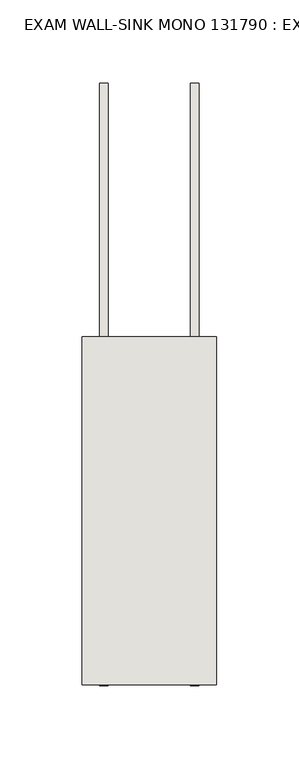
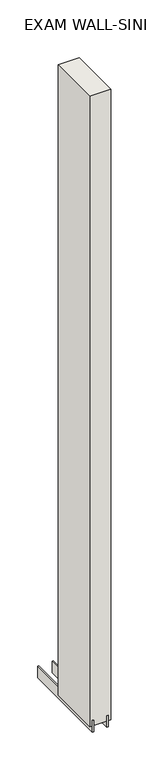
"""IFC4 building model written with IfcOpenShell, lengths in millimetres: wall geometry, EXAM WALL-SINK MONO 131790 : EXAM WALL-SINK MONO 131790."""

from ifc_helpers import new_model, si_unit, frame, origin, place, context, project, spatial, polyline, outline, extrude, source, transform, mapped, element, save


def exam_wall_sink_mono_131790_exam_wall_sink_mono_131790_737c3388(model_context):
    return source(origin(), model_context, "Body", "SweptSolid", [
        extrude(outline(polyline([(66349.282211, -45367.0057352), (66349.282211, -45369.5457352), (66346.742211, -45369.5457352), (66346.742211, -45367.0057352), (66349.282211, -45367.0057352)])), frame((0.0, 0.0, 4419.6), z_axis=(0.0, 0.0, 1.0), x_axis=(1.0, 0.0, 0.0)), (0.0, 0.0, 1.0), 2.54),
        extrude(outline(polyline([(66322.9284664, -45213.0169906), (66322.9284664, -45578.1419906), (66317.849711, -45578.1419906), (66317.849711, -45213.0169906), (66322.9284664, -45213.0169906)])), frame((0.0, 0.0, 4418.6602), z_axis=(0.0, 0.0, 1.0), x_axis=(1.0, 0.0, 0.0)), (0.0, 0.0, 1.0), 47.625),
        extrude(outline(polyline([(66322.9284664, -45213.0169906), (66322.9284664, -45578.1419906), (66317.849711, -45578.1419906), (66317.849711, -45213.0169906), (66322.9284664, -45213.0169906)])), frame((0.0, 0.0, 4418.6602), z_axis=(0.0, 0.0, 1.0), x_axis=(1.0, 0.0, 0.0)), (0.0, 0.0, 1.0), 47.625),
        extrude(outline(polyline([(66373.0959556, -45578.1419906), (66373.0959556, -45213.0169906), (66378.174711, -45213.0169906), (66378.174711, -45578.1419906), (66373.0959556, -45578.1419906)])), frame((0.0, 0.0, 4418.6602), z_axis=(0.0, 0.0, 1.0), x_axis=(1.0, 0.0, 0.0)), (0.0, 0.0, 1.0), 47.625),
        extrude(outline(polyline([(66373.0959556, -45578.1419906), (66373.0959556, -45213.0169906), (66378.174711, -45213.0169906), (66378.174711, -45578.1419906), (66373.0959556, -45578.1419906)])), frame((0.0, 0.0, 4418.6602), z_axis=(0.0, 0.0, 1.0), x_axis=(1.0, 0.0, 0.0)), (0.0, 0.0, 1.0), 47.625),
        extrude(outline(polyline([(66307.3573266, -45367.0168858), (66388.6670954, -45367.0168858), (66388.6670954, -45578.1419906), (66307.3573266, -45578.1419906), (66307.3573266, -45367.0168858)])), frame((0.0, 0.0, 4445.0), z_axis=(0.0, 0.0, 1.0), x_axis=(1.0, 0.0, 0.0)), (0.0, 0.0, 1.0), 2562.4536762),
    ])


if __name__ == "__main__":
    model = new_model("IFC4")
    model_context = context("Model", 3, world=origin())
    ifc_project = project(units=[si_unit("LENGTHUNIT", "METRE", prefix="MILLI")], contexts=[model_context])
    site = spatial("IfcSite", under=ifc_project)
    building = spatial("IfcBuilding", under=site)
    placement = place(None, origin())
    exam_wall_sink_mono_131790_exam_wall_sink_mono_131790_shape = exam_wall_sink_mono_131790_exam_wall_sink_mono_131790_737c3388(model_context)
    element("IfcWall", 1, ObjectType="EXAM WALL-SINK MONO 131790 : EXAM WALL-SINK MONO 131790", at=placement, inside=building, context=model_context, shape_type="MappedRepresentation", body=[
        mapped(exam_wall_sink_mono_131790_exam_wall_sink_mono_131790_shape, transform((0.0, 0.0, 0.0), x_axis=(1.0, 0.0, 0.0), y_axis=(0.0, 1.0, 0.0), z_axis=(0.0, 0.0, 1.0))),
    ])
    save(model, "model.ifc")
